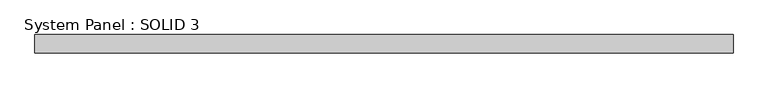
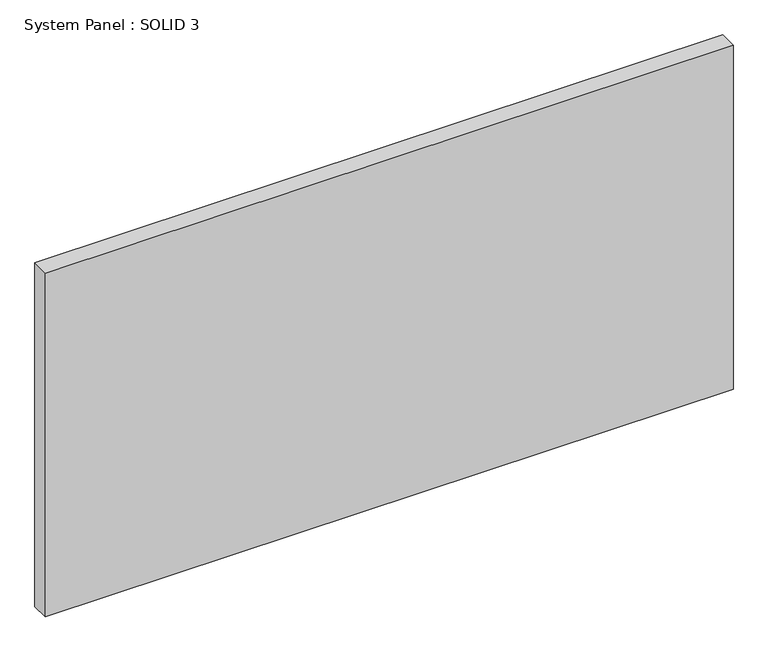
"""IFC4 building model written with IfcOpenShell, lengths in millimetres: plate geometry, System Panel : SOLID 3."""

import ifcopenshell
import ifcopenshell.guid

model = None  # the IFC model being written
_history = None  # IfcOwnerHistory: only IFC2X3 demands one
_inside = {}  # id of a spatial element -> (the spatial element, [elements in it])
_under = {}  # id of a project, library or spatial element -> (it, [spatial elements below it])
_declared = {}  # id of a project -> (the project, [libraries it declares])
_typed = {}  # id of a type object -> (the type object, [elements of that type])
_made_of = {}  # id of a material, layer set ... -> (it, [elements and type objects made of it])


def new_model(schema):
    """Start an empty IFC model of exactly this schema.

    Asked for "IFC4X3", IfcOpenShell would pick the latest addendum, in which some entities
    have other attributes; the version numbers below select the first issue.
    IFC2X3 requires an IfcOwnerHistory on every rooted entity: one is made here for all.
    """
    global model, _history
    if schema == "IFC4X3":
        model = ifcopenshell.file(schema_version=(4, 3, 0, 0))
    else:
        model = ifcopenshell.file(schema=schema)
    _inside.clear()
    _under.clear()
    _declared.clear()
    _typed.clear()
    _made_of.clear()
    _history = None
    if model.schema == "IFC2X3":
        org = make("IfcOrganization", Name="unknown")
        user = make(
            "IfcPersonAndOrganization",
            ThePerson=make("IfcPerson", FamilyName="unknown"),
            TheOrganization=org,
        )
        app = make(
            "IfcApplication",
            ApplicationDeveloper=org,
            Version="unknown",
            ApplicationFullName="unknown",
            ApplicationIdentifier="unknown",
        )
        _history = make(
            "IfcOwnerHistory",
            OwningUser=user,
            OwningApplication=app,
            ChangeAction="ADDED",
            CreationDate=0,
        )
    return model


def make(cls, **values):
    """One entity of the class cls with the attributes given. An attribute that is None is left unset."""
    return model.create_entity(
        cls, **{name: value for name, value in values.items() if value is not None}
    )


def rooted(cls, **values):
    """An entity with a GlobalId (a new one), such as an element, a storey or a relation."""
    return make(cls, GlobalId=ifcopenshell.guid.new(), OwnerHistory=_history, **values)


def si_unit(unit_type, name, prefix=None):
    """IfcSIUnit, for example si_unit("LENGTHUNIT", "METRE", prefix="MILLI")."""
    return make("IfcSIUnit", UnitType=unit_type, Prefix=prefix, Name=name)


def assignment(units):
    """IfcUnitAssignment: the units of a project."""
    return None if units is None else make("IfcUnitAssignment", Units=units)


def point(xyz):
    """IfcCartesianPoint."""
    return None if xyz is None else make("IfcCartesianPoint", Coordinates=xyz)


def direction(xyz):
    """IfcDirection."""
    return None if xyz is None else make("IfcDirection", DirectionRatios=xyz)


def frame(location, z_axis=None, x_axis=None):
    """IfcAxis2Placement3D, a coordinate frame: its origin and axes. An axis left out is left unset."""
    return make(
        "IfcAxis2Placement3D",
        Location=point(location),
        Axis=direction(z_axis),
        RefDirection=direction(x_axis),
    )


def origin():
    """The frame at (0, 0, 0) with its axes left unset."""
    return frame((0.0, 0.0, 0.0))


def origin_with_axes():
    """The frame at (0, 0, 0) with the z axis (0, 0, 1) and the x axis (1, 0, 0) written out."""
    return frame((0.0, 0.0, 0.0), z_axis=(0.0, 0.0, 1.0), x_axis=(1.0, 0.0, 0.0))


def place(relative_to, where):
    """IfcLocalPlacement: puts the frame where relative to a parent placement (None: the world)."""
    return make(
        "IfcLocalPlacement", PlacementRelTo=relative_to, RelativePlacement=where
    )


def context(
    kind, dimensions, precision=None, world=None, true_north=None, identifier=None
):
    """IfcGeometricRepresentationContext, for example the 3D "Model" context."""
    return make(
        "IfcGeometricRepresentationContext",
        ContextIdentifier=identifier,
        ContextType=kind,
        CoordinateSpaceDimension=dimensions,
        Precision=precision,
        WorldCoordinateSystem=world,
        TrueNorth=true_north,
    )


def project(units=None, contexts=None):
    """IfcProject with its units and contexts."""
    return rooted(
        "IfcProject",
        Name="project",
        RepresentationContexts=contexts,
        UnitsInContext=assignment(units),
    )


def spatial(cls, under=None, at=None, **own):
    """A site, building, storey or space (cls), placed at a placement, below another one or the project."""
    s = rooted(cls, ObjectPlacement=at, **own)
    if under is not None:
        _under.setdefault(under.id(), (under, []))[1].append(s)
    return s


def polyline(points):
    """IfcPolyline through the points."""
    return make("IfcPolyline", Points=[point(p) for p in points])


def outline(outer, holes=None, kind="AREA"):
    """IfcArbitraryClosedProfileDef: a profile drawn as a closed curve; with holes, ...WithVoids."""
    if holes is None:
        return make("IfcArbitraryClosedProfileDef", ProfileType=kind, OuterCurve=outer)
    return make(
        "IfcArbitraryProfileDefWithVoids",
        ProfileType=kind,
        OuterCurve=outer,
        InnerCurves=holes,
    )


def extrude(swept, where, along, depth):
    """IfcExtrudedAreaSolid: the profile swept, set in the frame where, extruded along a direction by depth."""
    return make(
        "IfcExtrudedAreaSolid",
        SweptArea=swept,
        Position=where,
        ExtrudedDirection=direction(along),
        Depth=depth,
    )


def shape(context_of_items, identifier, shape_type, items):
    """IfcShapeRepresentation: the items that make up one representation, for example the "Body"."""
    return make(
        "IfcShapeRepresentation",
        ContextOfItems=context_of_items,
        RepresentationIdentifier=identifier,
        RepresentationType=shape_type,
        Items=items,
    )


def source(mapping_origin, context_of_items, identifier, shape_type, items):
    """IfcRepresentationMap: a shape defined once, which mapped items show again and again."""
    return make(
        "IfcRepresentationMap",
        MappingOrigin=mapping_origin,
        MappedRepresentation=shape(context_of_items, identifier, shape_type, items),
    )


def transform(
    local_origin,
    x_axis=None,
    y_axis=None,
    z_axis=None,
    scale=None,
    scale2=None,
    scale3=None,
    uniform=True,
):
    """IfcCartesianTransformationOperator3D, or its non-uniform kind. x_axis, y_axis, z_axis: its Axis1, 2, 3."""
    if uniform:
        return make(
            "IfcCartesianTransformationOperator3D",
            Axis1=direction(x_axis),
            Axis2=direction(y_axis),
            LocalOrigin=point(local_origin),
            Scale=scale,
            Axis3=direction(z_axis),
        )
    return make(
        "IfcCartesianTransformationOperator3DnonUniform",
        Axis1=direction(x_axis),
        Axis2=direction(y_axis),
        LocalOrigin=point(local_origin),
        Scale=scale,
        Axis3=direction(z_axis),
        Scale2=scale2,
        Scale3=scale3,
    )


def mapped(mapping_source, mapping_target):
    """IfcMappedItem: shows the shape of a source again, moved by a transform."""
    return make(
        "IfcMappedItem", MappingSource=mapping_source, MappingTarget=mapping_target
    )


def made_of(thing, what):
    """Note that an element or type object is made of a material, layer set ...; save() writes the relation."""
    if what is not None:
        _made_of.setdefault(what.id(), (what, []))[1].append(thing)
    return thing


def element(
    cls,
    number,
    at=None,
    inside=None,
    cuts=None,
    type_object=None,
    material=None,
    context=None,
    identifier="Body",
    shape_type=None,
    held_by="IfcProductDefinitionShape",
    body=None,
    shapes=None,
    **own,
):
    """One element of the class cls, such as IfcWall. Its Tag is "e" and its number.

    at: its placement. inside: the storey or other place that contains it. cuts: it is an
    opening in that element (IfcRelVoidsElement). A single representation is given by context,
    identifier, shape_type and body (its items); several are given by shapes. held_by: the class
    of the entity that holds the representations. save() writes the other relations.
    """
    e = rooted(cls, Tag="e%d" % number, ObjectPlacement=at, **own)
    if body is not None:
        shapes = [shape(context, identifier, shape_type, body)]
    if shapes is not None:
        e.Representation = make(held_by, Representations=shapes)
    if inside is not None:
        _inside.setdefault(inside.id(), (inside, []))[1].append(e)
    if cuts is not None:
        rooted(
            "IfcRelVoidsElement", RelatingBuildingElement=cuts, RelatedOpeningElement=e
        )
    if type_object is not None:
        _typed.setdefault(type_object.id(), (type_object, []))[1].append(e)
    return made_of(e, material)


def aggregate(whole, parts):
    """IfcRelAggregates: a whole, such as a stair, and the parts it consists of."""
    return rooted("IfcRelAggregates", RelatingObject=whole, RelatedObjects=parts)


def save(model, path):
    """Write the relations noted so far, then the file.

    IfcRelAggregates (storeys below a building ...), IfcRelContainedInSpatialStructure (elements
    in a storey), IfcRelDefinesByType, IfcRelAssociatesMaterial and IfcRelDeclares: one each for
    every whole, place, type object, material and project.
    """
    for whole, parts in _under.values():
        aggregate(whole, parts)
    for where, things in _inside.values():
        rooted(
            "IfcRelContainedInSpatialStructure",
            RelatedElements=things,
            RelatingStructure=where,
        )
    for kind, things in _typed.values():
        rooted("IfcRelDefinesByType", RelatedObjects=things, RelatingType=kind)
    for what, things in _made_of.values():
        rooted("IfcRelAssociatesMaterial", RelatedObjects=things, RelatingMaterial=what)
    for by, libraries in _declared.values():
        rooted("IfcRelDeclares", RelatingContext=by, RelatedDefinitions=libraries)
    model.write(path)


def system_panel_solid_3_bcf59cca(model_context):
    return source(origin(), model_context, "Body", "SweptSolid", [
        extrude(outline(polyline([(1507.5, 80.0), (-1507.5, 80.0), (-1507.5, 160.0), (1507.5, 160.0), (1507.5, 80.0)])), origin_with_axes(), (0.0, 0.0, 1.0), 1594.0),
    ])


if __name__ == "__main__":
    model = new_model("IFC4")
    model_context = context("Model", 3, world=origin())
    ifc_project = project(units=[si_unit("LENGTHUNIT", "METRE", prefix="MILLI")], contexts=[model_context])
    site = spatial("IfcSite", under=ifc_project)
    building = spatial("IfcBuilding", under=site)
    placement = place(None, origin())
    system_panel_solid_3_shape = system_panel_solid_3_bcf59cca(model_context)
    element("IfcPlate", 1, ObjectType="System Panel : SOLID 3", at=placement, inside=building, context=model_context, shape_type="MappedRepresentation", body=[
        mapped(system_panel_solid_3_shape, transform((0.0, 0.0, 0.0), x_axis=(1.0, 0.0, 0.0), y_axis=(0.0, 1.0, 0.0), z_axis=(0.0, 0.0, 1.0))),
    ])
    save(model, "model.ifc")
